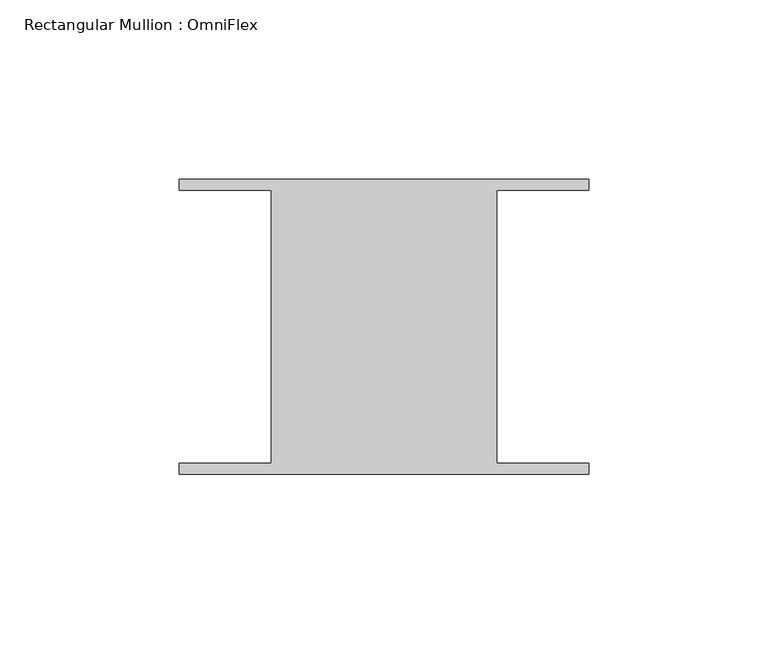
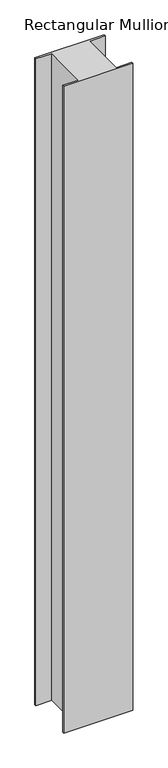
"""IFC4 building model written with IfcOpenShell, lengths in millimetres: member geometry, Rectangular Mullion : OmniFlex."""

from ifc_helpers import new_model, si_unit, frame, origin, place, context, project, spatial, polyline, outline, extrude, source, transform, mapped, element, save


def rectangular_mullion_omniflex_5ac0002c(model_context):
    return source(origin(), model_context, "Body", "SweptSolid", [
        extrude(outline(polyline([(-57.15, 38.0620588), (-57.15, 41.13784), (57.15, 41.13784), (57.15, 38.0620587), (31.4523437, 38.0620588), (31.4523437, -38.0620587), (57.15, -38.0620588), (57.15, -41.13784), (-57.15, -41.13784), (-57.15, -38.0620587), (-31.4523438, -38.0620587), (-31.4523438, 38.0620588), (-57.15, 38.0620588)])), frame((0.0, 0.0, -1130.3000003), z_axis=(0.0, 0.0, 1.0), x_axis=(1.0, 0.0, 0.0)), (0.0, 0.0, 1.0), 1130.3000003),
    ])


if __name__ == "__main__":
    model = new_model("IFC4")
    model_context = context("Model", 3, world=origin())
    ifc_project = project(units=[si_unit("LENGTHUNIT", "METRE", prefix="MILLI")], contexts=[model_context])
    site = spatial("IfcSite", under=ifc_project)
    building = spatial("IfcBuilding", under=site)
    placement = place(None, origin())
    rectangular_mullion_omniflex_shape = rectangular_mullion_omniflex_5ac0002c(model_context)
    element("IfcMember", 1, ObjectType="Rectangular Mullion : OmniFlex", at=placement, inside=building, context=model_context, shape_type="MappedRepresentation", body=[
        mapped(rectangular_mullion_omniflex_shape, transform((0.0, 0.0, 0.0), x_axis=(1.0, 0.0, 0.0), y_axis=(0.0, 1.0, 0.0), z_axis=(0.0, 0.0, 1.0))),
    ])
    save(model, "model.ifc")
